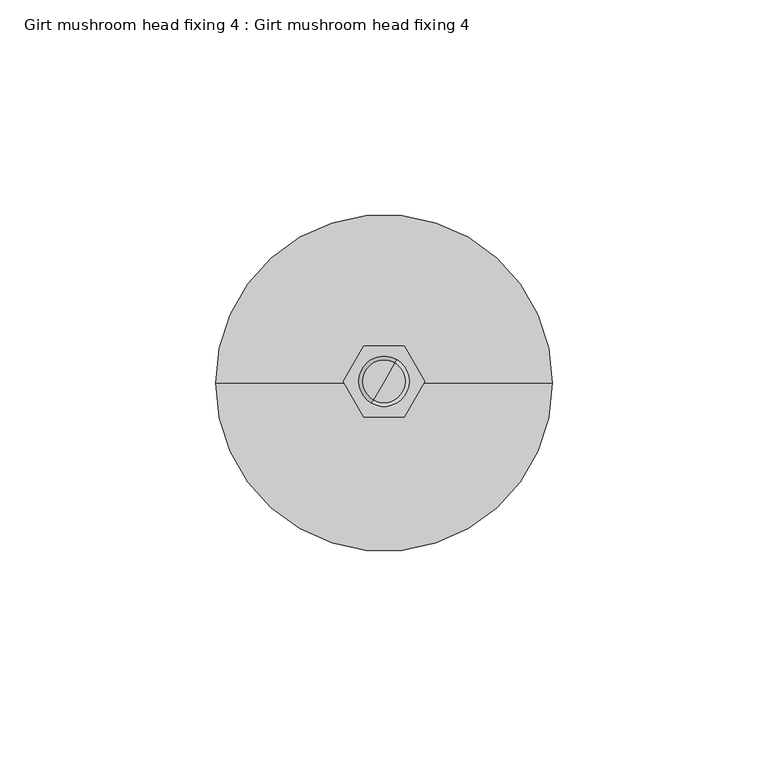
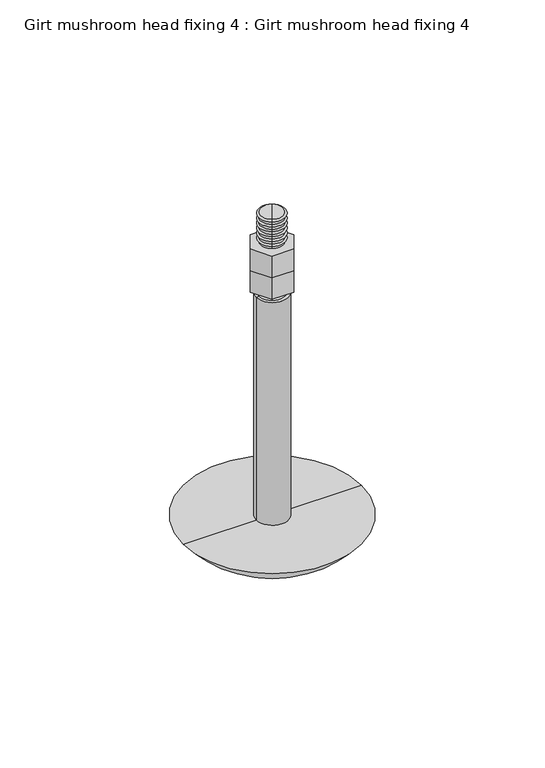
"""IFC4 building model written with IfcOpenShell, lengths in millimetres: proxy geometry, Girt mushroom head fixing 4 : Girt mushroom head fixing 4."""

from ifc_helpers import new_model, si_unit, point, frame, origin, place, context, project, spatial, polyline, circle_curve, ellipse_curve, trimmed, outline, extrude, source, transform, mapped, element, save
from ifc_brep_helpers import plane_surface, cylinder_surface, revolved_surface, advanced_brep


def girt_mushroom_head_fixing_4_girt_mushroom_head_fixing_4_44ebc072(model_context):
    return source(origin(), model_context, "Body", "SolidModel", [
        extrude(outline(polyline([(43.75, -8.8923048), (34.25, -8.8923048), (29.5, -0.6650635), (34.25, 7.5621778), (43.75, 7.5621778), (48.5, -0.6650635), (43.75, -8.8923048)])), frame((0.0, 0.0, 16.0), z_axis=(0.0, 0.0, 1.0), x_axis=(1.0, 0.0, 0.0)), (0.0, 0.0, 1.0), 10.0),
        extrude(outline(polyline([(43.75, -8.8923048), (34.25, -8.8923048), (29.5, -0.6650635), (34.25, 7.5621778), (43.75, 7.5621778), (48.5, -0.6650635), (43.75, -8.8923048)])), frame((0.0, 0.0, 6.0), z_axis=(0.0, 0.0, 1.0), x_axis=(1.0, 0.0, 0.0)), (0.0, 0.0, 1.0), 10.0),
        advanced_brep(
        [(41.9059458, 4.3681823, 39.2693613), (36.0940542, -5.6983094, 39.2693613), (36.5, -4.9951905, 39.791923), (41.5, 3.6650635, 39.791923), (41.5, 3.6650635, 38.8006155), (36.5, -4.9951905, 38.8006155), (41.5, 3.6650635, 37.5216556), (36.5, -4.9951905, 37.5216556), (41.9059458, 4.3681823, 36.9990939), (36.0940542, -5.6983094, 36.9990939), (41.5, 3.6650635, 36.5303481), (36.5, -4.9951905, 36.5303481), (41.5, 3.6650635, 35.2513882), (36.5, -4.9951905, 35.2513882), (41.9059458, 4.3681823, 34.7288265), (36.0940542, -5.6983094, 34.7288265), (41.5, 3.6650635, 34.2600807), (36.5, -4.9951905, 34.2600807), (41.5, 3.6650635, 32.9811208), (36.5, -4.9951905, 32.9811208), (41.9059458, 4.3681823, 32.4585591), (36.0940542, -5.6983094, 32.4585591), (41.5, 3.6650635, 31.9898132), (36.5, -4.9951905, 31.9898132), (41.5, 3.6650635, 30.7108534), (36.5, -4.9951905, 30.7108534), (41.9059458, 4.3681823, 30.1882917), (36.0940542, -5.6983094, 30.1882917), (41.5, 3.6650635, 29.7195458), (36.5, -4.9951905, 29.7195458), (41.5, 3.6650635, 28.440586), (36.5, -4.9951905, 28.440586), (41.9059458, 4.3681823, 27.9180243), (36.0940542, -5.6983094, 27.9180243), (41.5, 3.6650635, 27.4492784), (36.5, -4.9951905, 27.4492784), (41.5, 3.6650635, 26.1703186), (36.5, -4.9951905, 26.1703186), (41.9059458, 4.3681823, 25.6477569), (36.0940542, -5.6983094, 25.6477569), (41.5, 3.6650635, 25.179011), (36.5, -4.9951905, 25.179011), (41.5, 3.6650635, 23.9000512), (36.5, -4.9951905, 23.9000512), (41.9059458, 4.3681823, 23.3774895), (36.0940542, -5.6983094, 23.3774895), (41.5, 3.6650635, 22.9087436), (36.5, -4.9951905, 22.9087436), (41.5, 3.6650635, 21.6297838), (36.5, -4.9951905, 21.6297838), (41.9059458, 4.3681823, 21.1072221), (36.0940542, -5.6983094, 21.1072221), (41.5, 3.6650635, 20.6384762), (36.5, -4.9951905, 20.6384762), (41.5, 3.6650635, 19.3595164), (36.5, -4.9951905, 19.3595164), (41.9059458, 4.3681823, 18.8369547), (36.0940542, -5.6983094, 18.8369547), (41.5, 3.6650635, 18.3682088), (36.5, -4.9951905, 18.3682088), (41.5, 3.6650635, 17.089249), (36.5, -4.9951905, 17.089249), (41.9059458, 4.3681823, 16.5666873), (36.0940542, -5.6983094, 16.5666873), (41.5, 3.6650635, 16.0979414), (36.5, -4.9951905, 16.0979414), (41.5, 3.6650635, 14.8189816), (36.5, -4.9951905, 14.8189816), (41.9059458, 4.3681823, 14.2964199), (36.0940542, -5.6983094, 14.2964199), (41.5, 3.6650635, 13.827674), (36.5, -4.9951905, 13.827674), (41.5, 3.6650635, 12.5487142), (36.5, -4.9951905, 12.5487142), (41.9059458, 4.3681823, 12.0261525), (36.0940542, -5.6983094, 12.0261525), (41.5, 3.6650635, 11.5574066), (36.5, -4.9951905, 11.5574066), (41.5, 3.6650635, 10.2784468), (36.5, -4.9951905, 10.2784468), (41.9059458, 4.3681823, 9.7558851), (36.0940542, -5.6983094, 9.7558851), (39.0, -0.6650635, 39.791923), (41.5, 3.6650635, 9.2871392), (36.5, -4.9951905, 9.2871392), (41.5, 3.6650635, 8.0081794), (36.5, -4.9951905, 8.0081794), (41.9059458, 4.3681823, 7.4856177), (36.0940542, -5.6983094, 7.4856177), (41.5, 3.6650635, 7.0168718), (36.5, -4.9951905, 7.0168718), (41.5, 3.6650635, 5.737912), (36.5, -4.9951905, 5.737912), (41.9059458, 4.3681823, 5.2153503), (36.0940542, -5.6983094, 5.2153503), (41.5, 3.6650635, 4.7466044), (36.5, -4.9951905, 4.7466044), (41.5, 3.6650635, 3.4676446), (36.5, -4.9951905, 3.4676446), (41.9059458, 4.3681823, 2.9450829), (36.0940542, -5.6983094, 2.9450829), (41.5, 3.6650635, 2.476337), (36.5, -4.9951905, 2.476337), (41.5, 3.6650635, 1.1973772), (36.5, -4.9951905, 1.1973772), (41.9059458, 4.3681823, 0.6748155), (36.0940542, -5.6983094, 0.6748155), (41.5, 3.6650635, 0.2060696), (36.5, -4.9951905, 0.2060696), (41.5, 3.6650635, -1.0728902), (36.5, -4.9951905, -1.0728902), (41.9059458, 4.3681823, -1.5954519), (36.0940542, -5.6983094, -1.5954519), (41.5, 3.6650635, -2.0641978), (36.5, -4.9951905, -2.0641978), (41.5, 3.6650635, -3.3431576), (36.5, -4.9951905, -3.3431576), (41.9059458, 4.3681823, -3.8657193), (36.0940542, -5.6983094, -3.8657193), (41.5, 3.6650635, -4.3344652), (36.5, -4.9951905, -4.3344652), (41.5, 3.6650635, -5.613425), (36.5, -4.9951905, -5.613425), (41.9059458, 4.3681823, -6.1359867), (36.0940542, -5.6983094, -6.1359867), (41.5, 3.6650635, -6.6047326), (36.5, -4.9951905, -6.6047326), (41.5, 3.6650635, -7.8836924), (36.5, -4.9951905, -7.8836924), (41.9059458, 4.3681823, -8.4062541), (36.0940542, -5.6983094, -8.4062541), (41.5, 3.6650635, -8.875), (36.5, -4.9951905, -8.875), (39.0, -0.6650635, -8.875)],
        [
            (0, 1, circle_curve(frame((39.0, -0.6650635, 39.2693613), z_axis=(0.0, 0.0, 1.0), x_axis=(-0.5000000000000034, -0.8660254037844367, 0.0)), 5.8118917)),
            (1, 2),
            (2, 3, circle_curve(frame((39.0, -0.6650635, 39.791923), z_axis=(0.0, 0.0, -1.0), x_axis=(-0.5000000000000034, -0.8660254037844367, 0.0)), 5.0)),
            (3, 0),
            (1, 0, circle_curve(frame((39.0, -0.6650635, 39.2693613), z_axis=(0.0, 0.0, 1.0), x_axis=(-0.5000000000000034, -0.8660254037844367, 0.0)), 5.8118917)),
            (3, 2, circle_curve(frame((39.0, -0.6650635, 39.791923), z_axis=(0.0, 0.0, -1.0), x_axis=(-0.5000000000000034, -0.8660254037844367, 0.0)), 5.0)),
            (4, 5, circle_curve(frame((39.0, -0.6650635, 38.8006155), z_axis=(0.0, 0.0, 1.0), x_axis=(-0.5000000000000034, -0.8660254037844367, 0.0)), 5.0)),
            (5, 1),
            (0, 4),
            (5, 4, circle_curve(frame((39.0, -0.6650635, 38.8006155), z_axis=(0.0, 0.0, 1.0), x_axis=(-0.5000000000000034, -0.8660254037844367, 0.0)), 5.0)),
            (6, 7, circle_curve(frame((39.0, -0.6650635, 37.5216556), z_axis=(0.0, 0.0, 1.0), x_axis=(-0.5000000000000034, -0.8660254037844367, 0.0)), 5.0)),
            (7, 5),
            (4, 6),
            (7, 6, circle_curve(frame((39.0, -0.6650635, 37.5216556), z_axis=(0.0, 0.0, 1.0), x_axis=(-0.5000000000000034, -0.8660254037844367, 0.0)), 5.0)),
            (8, 9, circle_curve(frame((39.0, -0.6650635, 36.9990939), z_axis=(0.0, 0.0, 1.0), x_axis=(-0.5000000000000034, -0.8660254037844367, 0.0)), 5.8118917)),
            (9, 7),
            (6, 8),
            (9, 8, circle_curve(frame((39.0, -0.6650635, 36.9990939), z_axis=(0.0, 0.0, 1.0), x_axis=(-0.5000000000000034, -0.8660254037844367, 0.0)), 5.8118917)),
            (10, 11, circle_curve(frame((39.0, -0.6650635, 36.5303481), z_axis=(0.0, 0.0, 1.0), x_axis=(-0.5000000000000034, -0.8660254037844367, 0.0)), 5.0)),
            (11, 9),
            (8, 10),
            (11, 10, circle_curve(frame((39.0, -0.6650635, 36.5303481), z_axis=(0.0, 0.0, 1.0), x_axis=(-0.5000000000000034, -0.8660254037844367, 0.0)), 5.0)),
            (12, 13, circle_curve(frame((39.0, -0.6650635, 35.2513882), z_axis=(0.0, 0.0, 1.0), x_axis=(-0.5000000000000034, -0.8660254037844367, 0.0)), 5.0)),
            (13, 11),
            (10, 12),
            (13, 12, circle_curve(frame((39.0, -0.6650635, 35.2513882), z_axis=(0.0, 0.0, 1.0), x_axis=(-0.5000000000000034, -0.8660254037844367, 0.0)), 5.0)),
            (14, 15, circle_curve(frame((39.0, -0.6650635, 34.7288265), z_axis=(0.0, 0.0, 1.0), x_axis=(-0.5000000000000034, -0.8660254037844367, 0.0)), 5.8118917)),
            (15, 13),
            (12, 14),
            (15, 14, circle_curve(frame((39.0, -0.6650635, 34.7288265), z_axis=(0.0, 0.0, 1.0), x_axis=(-0.5000000000000034, -0.8660254037844367, 0.0)), 5.8118917)),
            (16, 17, circle_curve(frame((39.0, -0.6650635, 34.2600807), z_axis=(0.0, 0.0, 1.0), x_axis=(-0.5000000000000034, -0.8660254037844367, 0.0)), 5.0)),
            (17, 15),
            (14, 16),
            (17, 16, circle_curve(frame((39.0, -0.6650635, 34.2600807), z_axis=(0.0, 0.0, 1.0), x_axis=(-0.5000000000000034, -0.8660254037844367, 0.0)), 5.0)),
            (18, 19, circle_curve(frame((39.0, -0.6650635, 32.9811208), z_axis=(0.0, 0.0, 1.0), x_axis=(-0.5000000000000034, -0.8660254037844367, 0.0)), 5.0)),
            (19, 17),
            (16, 18),
            (19, 18, circle_curve(frame((39.0, -0.6650635, 32.9811208), z_axis=(0.0, 0.0, 1.0), x_axis=(-0.5000000000000034, -0.8660254037844367, 0.0)), 5.0)),
            (20, 21, circle_curve(frame((39.0, -0.6650635, 32.4585591), z_axis=(0.0, 0.0, 1.0), x_axis=(-0.5000000000000034, -0.8660254037844367, 0.0)), 5.8118917)),
            (21, 19),
            (18, 20),
            (21, 20, circle_curve(frame((39.0, -0.6650635, 32.4585591), z_axis=(0.0, 0.0, 1.0), x_axis=(-0.5000000000000034, -0.8660254037844367, 0.0)), 5.8118917)),
            (22, 23, circle_curve(frame((39.0, -0.6650635, 31.9898132), z_axis=(0.0, 0.0, 1.0), x_axis=(-0.5000000000000034, -0.8660254037844367, 0.0)), 5.0)),
            (23, 21),
            (20, 22),
            (23, 22, circle_curve(frame((39.0, -0.6650635, 31.9898132), z_axis=(0.0, 0.0, 1.0), x_axis=(-0.5000000000000034, -0.8660254037844367, 0.0)), 5.0)),
            (24, 25, circle_curve(frame((39.0, -0.6650635, 30.7108534), z_axis=(0.0, 0.0, 1.0), x_axis=(-0.5000000000000034, -0.8660254037844367, 0.0)), 5.0)),
            (25, 23),
            (22, 24),
            (25, 24, circle_curve(frame((39.0, -0.6650635, 30.7108534), z_axis=(0.0, 0.0, 1.0), x_axis=(-0.5000000000000034, -0.8660254037844367, 0.0)), 5.0)),
            (26, 27, circle_curve(frame((39.0, -0.6650635, 30.1882917), z_axis=(0.0, 0.0, 1.0), x_axis=(-0.5000000000000034, -0.8660254037844367, 0.0)), 5.8118917)),
            (27, 25),
            (24, 26),
            (27, 26, circle_curve(frame((39.0, -0.6650635, 30.1882917), z_axis=(0.0, 0.0, 1.0), x_axis=(-0.5000000000000034, -0.8660254037844367, 0.0)), 5.8118917)),
            (28, 29, circle_curve(frame((39.0, -0.6650635, 29.7195458), z_axis=(0.0, 0.0, 1.0), x_axis=(-0.5000000000000034, -0.8660254037844367, 0.0)), 5.0)),
            (29, 27),
            (26, 28),
            (29, 28, circle_curve(frame((39.0, -0.6650635, 29.7195458), z_axis=(0.0, 0.0, 1.0), x_axis=(-0.5000000000000034, -0.8660254037844367, 0.0)), 5.0)),
            (30, 31, circle_curve(frame((39.0, -0.6650635, 28.440586), z_axis=(0.0, 0.0, 1.0), x_axis=(-0.5000000000000034, -0.8660254037844367, 0.0)), 5.0)),
            (31, 29),
            (28, 30),
            (31, 30, circle_curve(frame((39.0, -0.6650635, 28.440586), z_axis=(0.0, 0.0, 1.0), x_axis=(-0.5000000000000034, -0.8660254037844367, 0.0)), 5.0)),
            (32, 33, circle_curve(frame((39.0, -0.6650635, 27.9180243), z_axis=(0.0, 0.0, 1.0), x_axis=(-0.5000000000000034, -0.8660254037844367, 0.0)), 5.8118917)),
            (33, 31),
            (30, 32),
            (33, 32, circle_curve(frame((39.0, -0.6650635, 27.9180243), z_axis=(0.0, 0.0, 1.0), x_axis=(-0.5000000000000034, -0.8660254037844367, 0.0)), 5.8118917)),
            (34, 35, circle_curve(frame((39.0, -0.6650635, 27.4492784), z_axis=(0.0, 0.0, 1.0), x_axis=(-0.5000000000000034, -0.8660254037844367, 0.0)), 5.0)),
            (35, 33),
            (32, 34),
            (35, 34, circle_curve(frame((39.0, -0.6650635, 27.4492784), z_axis=(0.0, 0.0, 1.0), x_axis=(-0.5000000000000034, -0.8660254037844367, 0.0)), 5.0)),
            (36, 37, circle_curve(frame((39.0, -0.6650635, 26.1703186), z_axis=(0.0, 0.0, 1.0), x_axis=(-0.5000000000000034, -0.8660254037844367, 0.0)), 5.0)),
            (37, 35),
            (34, 36),
            (37, 36, circle_curve(frame((39.0, -0.6650635, 26.1703186), z_axis=(0.0, 0.0, 1.0), x_axis=(-0.5000000000000034, -0.8660254037844367, 0.0)), 5.0)),
            (38, 39, circle_curve(frame((39.0, -0.6650635, 25.6477569), z_axis=(0.0, 0.0, 1.0), x_axis=(-0.5000000000000034, -0.8660254037844367, 0.0)), 5.8118917)),
            (39, 37),
            (36, 38),
            (39, 38, circle_curve(frame((39.0, -0.6650635, 25.6477569), z_axis=(0.0, 0.0, 1.0), x_axis=(-0.5000000000000034, -0.8660254037844367, 0.0)), 5.8118917)),
            (40, 41, circle_curve(frame((39.0, -0.6650635, 25.179011), z_axis=(0.0, 0.0, 1.0), x_axis=(-0.5000000000000034, -0.8660254037844367, 0.0)), 5.0)),
            (41, 39),
            (38, 40),
            (41, 40, circle_curve(frame((39.0, -0.6650635, 25.179011), z_axis=(0.0, 0.0, 1.0), x_axis=(-0.5000000000000034, -0.8660254037844367, 0.0)), 5.0)),
            (42, 43, circle_curve(frame((39.0, -0.6650635, 23.9000512), z_axis=(0.0, 0.0, 1.0), x_axis=(-0.5000000000000034, -0.8660254037844367, 0.0)), 5.0)),
            (43, 41),
            (40, 42),
            (43, 42, circle_curve(frame((39.0, -0.6650635, 23.9000512), z_axis=(0.0, 0.0, 1.0), x_axis=(-0.5000000000000034, -0.8660254037844367, 0.0)), 5.0)),
            (44, 45, circle_curve(frame((39.0, -0.6650635, 23.3774895), z_axis=(0.0, 0.0, 1.0), x_axis=(-0.5000000000000034, -0.8660254037844367, 0.0)), 5.8118917)),
            (45, 43),
            (42, 44),
            (45, 44, circle_curve(frame((39.0, -0.6650635, 23.3774895), z_axis=(0.0, 0.0, 1.0), x_axis=(-0.5000000000000034, -0.8660254037844367, 0.0)), 5.8118917)),
            (46, 47, circle_curve(frame((39.0, -0.6650635, 22.9087436), z_axis=(0.0, 0.0, 1.0), x_axis=(-0.5000000000000034, -0.8660254037844367, 0.0)), 5.0)),
            (47, 45),
            (44, 46),
            (47, 46, circle_curve(frame((39.0, -0.6650635, 22.9087436), z_axis=(0.0, 0.0, 1.0), x_axis=(-0.5000000000000034, -0.8660254037844367, 0.0)), 5.0)),
            (48, 49, circle_curve(frame((39.0, -0.6650635, 21.6297838), z_axis=(0.0, 0.0, 1.0), x_axis=(-0.5000000000000034, -0.8660254037844367, 0.0)), 5.0)),
            (49, 47),
            (46, 48),
            (49, 48, circle_curve(frame((39.0, -0.6650635, 21.6297838), z_axis=(0.0, 0.0, 1.0), x_axis=(-0.5000000000000034, -0.8660254037844367, 0.0)), 5.0)),
            (50, 51, circle_curve(frame((39.0, -0.6650635, 21.1072221), z_axis=(0.0, 0.0, 1.0), x_axis=(-0.5000000000000034, -0.8660254037844367, 0.0)), 5.8118917)),
            (51, 49),
            (48, 50),
            (51, 50, circle_curve(frame((39.0, -0.6650635, 21.1072221), z_axis=(0.0, 0.0, 1.0), x_axis=(-0.5000000000000034, -0.8660254037844367, 0.0)), 5.8118917)),
            (52, 53, circle_curve(frame((39.0, -0.6650635, 20.6384762), z_axis=(0.0, 0.0, 1.0), x_axis=(-0.5000000000000034, -0.8660254037844367, 0.0)), 5.0)),
            (53, 51),
            (50, 52),
            (53, 52, circle_curve(frame((39.0, -0.6650635, 20.6384762), z_axis=(0.0, 0.0, 1.0), x_axis=(-0.5000000000000034, -0.8660254037844367, 0.0)), 5.0)),
            (54, 55, circle_curve(frame((39.0, -0.6650635, 19.3595164), z_axis=(0.0, 0.0, 1.0), x_axis=(-0.5000000000000034, -0.8660254037844367, 0.0)), 5.0)),
            (55, 53),
            (52, 54),
            (55, 54, circle_curve(frame((39.0, -0.6650635, 19.3595164), z_axis=(0.0, 0.0, 1.0), x_axis=(-0.5000000000000034, -0.8660254037844367, 0.0)), 5.0)),
            (56, 57, circle_curve(frame((39.0, -0.6650635, 18.8369547), z_axis=(0.0, 0.0, 1.0), x_axis=(-0.5000000000000034, -0.8660254037844367, 0.0)), 5.8118917)),
            (57, 55),
            (54, 56),
            (57, 56, circle_curve(frame((39.0, -0.6650635, 18.8369547), z_axis=(0.0, 0.0, 1.0), x_axis=(-0.5000000000000034, -0.8660254037844367, 0.0)), 5.8118917)),
            (58, 59, circle_curve(frame((39.0, -0.6650635, 18.3682088), z_axis=(0.0, 0.0, 1.0), x_axis=(-0.5000000000000034, -0.8660254037844367, 0.0)), 5.0)),
            (59, 57),
            (56, 58),
            (59, 58, circle_curve(frame((39.0, -0.6650635, 18.3682088), z_axis=(0.0, 0.0, 1.0), x_axis=(-0.5000000000000034, -0.8660254037844367, 0.0)), 5.0)),
            (60, 61, circle_curve(frame((39.0, -0.6650635, 17.089249), z_axis=(0.0, 0.0, 1.0), x_axis=(-0.5000000000000034, -0.8660254037844367, 0.0)), 5.0)),
            (61, 59),
            (58, 60),
            (61, 60, circle_curve(frame((39.0, -0.6650635, 17.089249), z_axis=(0.0, 0.0, 1.0), x_axis=(-0.5000000000000034, -0.8660254037844367, 0.0)), 5.0)),
            (62, 63, circle_curve(frame((39.0, -0.6650635, 16.5666873), z_axis=(0.0, 0.0, 1.0), x_axis=(-0.5000000000000034, -0.8660254037844367, 0.0)), 5.8118917)),
            (63, 61),
            (60, 62),
            (63, 62, circle_curve(frame((39.0, -0.6650635, 16.5666873), z_axis=(0.0, 0.0, 1.0), x_axis=(-0.5000000000000034, -0.8660254037844367, 0.0)), 5.8118917)),
            (64, 65, circle_curve(frame((39.0, -0.6650635, 16.0979414), z_axis=(0.0, 0.0, 1.0), x_axis=(-0.5000000000000034, -0.8660254037844367, 0.0)), 5.0)),
            (65, 63),
            (62, 64),
            (65, 64, circle_curve(frame((39.0, -0.6650635, 16.0979414), z_axis=(0.0, 0.0, 1.0), x_axis=(-0.5000000000000034, -0.8660254037844367, 0.0)), 5.0)),
            (66, 67, circle_curve(frame((39.0, -0.6650635, 14.8189816), z_axis=(0.0, 0.0, 1.0), x_axis=(-0.5000000000000034, -0.8660254037844367, 0.0)), 5.0)),
            (67, 65),
            (64, 66),
            (67, 66, circle_curve(frame((39.0, -0.6650635, 14.8189816), z_axis=(0.0, 0.0, 1.0), x_axis=(-0.5000000000000034, -0.8660254037844367, 0.0)), 5.0)),
            (68, 69, circle_curve(frame((39.0, -0.6650635, 14.2964199), z_axis=(0.0, 0.0, 1.0), x_axis=(-0.5000000000000034, -0.8660254037844367, 0.0)), 5.8118917)),
            (69, 67),
            (66, 68),
            (69, 68, circle_curve(frame((39.0, -0.6650635, 14.2964199), z_axis=(0.0, 0.0, 1.0), x_axis=(-0.5000000000000034, -0.8660254037844367, 0.0)), 5.8118917)),
            (70, 71, circle_curve(frame((39.0, -0.6650635, 13.827674), z_axis=(0.0, 0.0, 1.0), x_axis=(-0.5000000000000034, -0.8660254037844367, 0.0)), 5.0)),
            (71, 69),
            (68, 70),
            (71, 70, circle_curve(frame((39.0, -0.6650635, 13.827674), z_axis=(0.0, 0.0, 1.0), x_axis=(-0.5000000000000034, -0.8660254037844367, 0.0)), 5.0)),
            (72, 73, circle_curve(frame((39.0, -0.6650635, 12.5487142), z_axis=(0.0, 0.0, 1.0), x_axis=(-0.5000000000000034, -0.8660254037844367, 0.0)), 5.0)),
            (73, 71),
            (70, 72),
            (73, 72, circle_curve(frame((39.0, -0.6650635, 12.5487142), z_axis=(0.0, 0.0, 1.0), x_axis=(-0.5000000000000034, -0.8660254037844367, 0.0)), 5.0)),
            (74, 75, circle_curve(frame((39.0, -0.6650635, 12.0261525), z_axis=(0.0, 0.0, 1.0), x_axis=(-0.5000000000000034, -0.8660254037844367, 0.0)), 5.8118917)),
            (75, 73),
            (72, 74),
            (75, 74, circle_curve(frame((39.0, -0.6650635, 12.0261525), z_axis=(0.0, 0.0, 1.0), x_axis=(-0.5000000000000034, -0.8660254037844367, 0.0)), 5.8118917)),
            (76, 77, circle_curve(frame((39.0, -0.6650635, 11.5574066), z_axis=(0.0, 0.0, 1.0), x_axis=(-0.5000000000000034, -0.8660254037844367, 0.0)), 5.0)),
            (77, 75),
            (74, 76),
            (77, 76, circle_curve(frame((39.0, -0.6650635, 11.5574066), z_axis=(0.0, 0.0, 1.0), x_axis=(-0.5000000000000034, -0.8660254037844367, 0.0)), 5.0)),
            (78, 79, circle_curve(frame((39.0, -0.6650635, 10.2784468), z_axis=(0.0, 0.0, 1.0), x_axis=(-0.5000000000000034, -0.8660254037844367, 0.0)), 5.0)),
            (79, 77),
            (76, 78),
            (79, 78, circle_curve(frame((39.0, -0.6650635, 10.2784468), z_axis=(0.0, 0.0, 1.0), x_axis=(-0.5000000000000034, -0.8660254037844367, 0.0)), 5.0)),
            (80, 81, circle_curve(frame((39.0, -0.6650635, 9.7558851), z_axis=(0.0, 0.0, 1.0), x_axis=(-0.5000000000000034, -0.8660254037844367, 0.0)), 5.8118917)),
            (81, 79),
            (78, 80),
            (81, 80, circle_curve(frame((39.0, -0.6650635, 9.7558851), z_axis=(0.0, 0.0, 1.0), x_axis=(-0.5000000000000034, -0.8660254037844367, 0.0)), 5.8118917)),
            (2, 82),
            (82, 3),
            (83, 84, circle_curve(frame((39.0, -0.6650635, 9.2871392), z_axis=(0.0, 0.0, 1.0), x_axis=(-0.5000000000000034, -0.8660254037844367, 0.0)), 5.0)),
            (84, 81),
            (80, 83),
            (84, 83, circle_curve(frame((39.0, -0.6650635, 9.2871392), z_axis=(0.0, 0.0, 1.0), x_axis=(-0.5000000000000034, -0.8660254037844367, 0.0)), 5.0)),
            (85, 86, circle_curve(frame((39.0, -0.6650635, 8.0081794), z_axis=(0.0, 0.0, 1.0), x_axis=(-0.5000000000000034, -0.8660254037844367, 0.0)), 5.0)),
            (86, 84),
            (83, 85),
            (86, 85, circle_curve(frame((39.0, -0.6650635, 8.0081794), z_axis=(0.0, 0.0, 1.0), x_axis=(-0.5000000000000034, -0.8660254037844367, 0.0)), 5.0)),
            (87, 88, circle_curve(frame((39.0, -0.6650635, 7.4856177), z_axis=(0.0, 0.0, 1.0), x_axis=(-0.5000000000000034, -0.8660254037844367, 0.0)), 5.8118917)),
            (88, 86),
            (85, 87),
            (88, 87, circle_curve(frame((39.0, -0.6650635, 7.4856177), z_axis=(0.0, 0.0, 1.0), x_axis=(-0.5000000000000034, -0.8660254037844367, 0.0)), 5.8118917)),
            (89, 90, circle_curve(frame((39.0, -0.6650635, 7.0168718), z_axis=(0.0, 0.0, 1.0), x_axis=(-0.5000000000000034, -0.8660254037844367, 0.0)), 5.0)),
            (90, 88),
            (87, 89),
            (90, 89, circle_curve(frame((39.0, -0.6650635, 7.0168718), z_axis=(0.0, 0.0, 1.0), x_axis=(-0.5000000000000034, -0.8660254037844367, 0.0)), 5.0)),
            (91, 92, circle_curve(frame((39.0, -0.6650635, 5.737912), z_axis=(0.0, 0.0, 1.0), x_axis=(-0.5000000000000034, -0.8660254037844367, 0.0)), 5.0)),
            (92, 90),
            (89, 91),
            (92, 91, circle_curve(frame((39.0, -0.6650635, 5.737912), z_axis=(0.0, 0.0, 1.0), x_axis=(-0.5000000000000034, -0.8660254037844367, 0.0)), 5.0)),
            (93, 94, circle_curve(frame((39.0, -0.6650635, 5.2153503), z_axis=(0.0, 0.0, 1.0), x_axis=(-0.5000000000000034, -0.8660254037844367, 0.0)), 5.8118917)),
            (94, 92),
            (91, 93),
            (94, 93, circle_curve(frame((39.0, -0.6650635, 5.2153503), z_axis=(0.0, 0.0, 1.0), x_axis=(-0.5000000000000034, -0.8660254037844367, 0.0)), 5.8118917)),
            (95, 96, circle_curve(frame((39.0, -0.6650635, 4.7466044), z_axis=(0.0, 0.0, 1.0), x_axis=(-0.5000000000000034, -0.8660254037844367, 0.0)), 5.0)),
            (96, 94),
            (93, 95),
            (96, 95, circle_curve(frame((39.0, -0.6650635, 4.7466044), z_axis=(0.0, 0.0, 1.0), x_axis=(-0.5000000000000034, -0.8660254037844367, 0.0)), 5.0)),
            (97, 98, circle_curve(frame((39.0, -0.6650635, 3.4676446), z_axis=(0.0, 0.0, 1.0), x_axis=(-0.5000000000000034, -0.8660254037844367, 0.0)), 5.0)),
            (98, 96),
            (95, 97),
            (98, 97, circle_curve(frame((39.0, -0.6650635, 3.4676446), z_axis=(0.0, 0.0, 1.0), x_axis=(-0.5000000000000034, -0.8660254037844367, 0.0)), 5.0)),
            (99, 100, circle_curve(frame((39.0, -0.6650635, 2.9450829), z_axis=(0.0, 0.0, 1.0), x_axis=(-0.5000000000000034, -0.8660254037844367, 0.0)), 5.8118917)),
            (100, 98),
            (97, 99),
            (100, 99, circle_curve(frame((39.0, -0.6650635, 2.9450829), z_axis=(0.0, 0.0, 1.0), x_axis=(-0.5000000000000034, -0.8660254037844367, 0.0)), 5.8118917)),
            (101, 102, circle_curve(frame((39.0, -0.6650635, 2.476337), z_axis=(0.0, 0.0, 1.0), x_axis=(-0.5000000000000034, -0.8660254037844367, 0.0)), 5.0)),
            (102, 100),
            (99, 101),
            (102, 101, circle_curve(frame((39.0, -0.6650635, 2.476337), z_axis=(0.0, 0.0, 1.0), x_axis=(-0.5000000000000034, -0.8660254037844367, 0.0)), 5.0)),
            (103, 104, circle_curve(frame((39.0, -0.6650635, 1.1973772), z_axis=(0.0, 0.0, 1.0), x_axis=(-0.5000000000000034, -0.8660254037844367, 0.0)), 5.0)),
            (104, 102),
            (101, 103),
            (104, 103, circle_curve(frame((39.0, -0.6650635, 1.1973772), z_axis=(0.0, 0.0, 1.0), x_axis=(-0.5000000000000034, -0.8660254037844367, 0.0)), 5.0)),
            (105, 106, circle_curve(frame((39.0, -0.6650635, 0.6748155), z_axis=(0.0, 0.0, 1.0), x_axis=(-0.5000000000000034, -0.8660254037844367, 0.0)), 5.8118917)),
            (106, 104),
            (103, 105),
            (106, 105, circle_curve(frame((39.0, -0.6650635, 0.6748155), z_axis=(0.0, 0.0, 1.0), x_axis=(-0.5000000000000034, -0.8660254037844367, 0.0)), 5.8118917)),
            (107, 108, circle_curve(frame((39.0, -0.6650635, 0.2060696), z_axis=(0.0, 0.0, 1.0), x_axis=(-0.5000000000000034, -0.8660254037844367, 0.0)), 5.0)),
            (108, 106),
            (105, 107),
            (108, 107, circle_curve(frame((39.0, -0.6650635, 0.2060696), z_axis=(0.0, 0.0, 1.0), x_axis=(-0.5000000000000034, -0.8660254037844367, 0.0)), 5.0)),
            (109, 110, circle_curve(frame((39.0, -0.6650635, -1.0728902), z_axis=(0.0, 0.0, 1.0), x_axis=(-0.5000000000000034, -0.8660254037844367, 0.0)), 5.0)),
            (110, 108),
            (107, 109),
            (110, 109, circle_curve(frame((39.0, -0.6650635, -1.0728902), z_axis=(0.0, 0.0, 1.0), x_axis=(-0.5000000000000034, -0.8660254037844367, 0.0)), 5.0)),
            (111, 112, circle_curve(frame((39.0, -0.6650635, -1.5954519), z_axis=(0.0, 0.0, 1.0), x_axis=(-0.5000000000000034, -0.8660254037844367, 0.0)), 5.8118917)),
            (112, 110),
            (109, 111),
            (112, 111, circle_curve(frame((39.0, -0.6650635, -1.5954519), z_axis=(0.0, 0.0, 1.0), x_axis=(-0.5000000000000034, -0.8660254037844367, 0.0)), 5.8118917)),
            (113, 114, circle_curve(frame((39.0, -0.6650635, -2.0641978), z_axis=(0.0, 0.0, 1.0), x_axis=(-0.5000000000000034, -0.8660254037844367, 0.0)), 5.0)),
            (114, 112),
            (111, 113),
            (114, 113, circle_curve(frame((39.0, -0.6650635, -2.0641978), z_axis=(0.0, 0.0, 1.0), x_axis=(-0.5000000000000034, -0.8660254037844367, 0.0)), 5.0)),
            (115, 116, circle_curve(frame((39.0, -0.6650635, -3.3431576), z_axis=(0.0, 0.0, 1.0), x_axis=(-0.5000000000000034, -0.8660254037844367, 0.0)), 5.0)),
            (116, 114),
            (113, 115),
            (116, 115, circle_curve(frame((39.0, -0.6650635, -3.3431576), z_axis=(0.0, 0.0, 1.0), x_axis=(-0.5000000000000034, -0.8660254037844367, 0.0)), 5.0)),
            (117, 118, circle_curve(frame((39.0, -0.6650635, -3.8657193), z_axis=(0.0, 0.0, 1.0), x_axis=(-0.5000000000000034, -0.8660254037844367, 0.0)), 5.8118917)),
            (118, 116),
            (115, 117),
            (118, 117, circle_curve(frame((39.0, -0.6650635, -3.8657193), z_axis=(0.0, 0.0, 1.0), x_axis=(-0.5000000000000034, -0.8660254037844367, 0.0)), 5.8118917)),
            (119, 120, circle_curve(frame((39.0, -0.6650635, -4.3344652), z_axis=(0.0, 0.0, 1.0), x_axis=(-0.5000000000000034, -0.8660254037844367, 0.0)), 5.0)),
            (120, 118),
            (117, 119),
            (120, 119, circle_curve(frame((39.0, -0.6650635, -4.3344652), z_axis=(0.0, 0.0, 1.0), x_axis=(-0.5000000000000034, -0.8660254037844367, 0.0)), 5.0)),
            (121, 122, circle_curve(frame((39.0, -0.6650635, -5.613425), z_axis=(0.0, 0.0, 1.0), x_axis=(-0.5000000000000034, -0.8660254037844367, 0.0)), 5.0)),
            (122, 120),
            (119, 121),
            (122, 121, circle_curve(frame((39.0, -0.6650635, -5.613425), z_axis=(0.0, 0.0, 1.0), x_axis=(-0.5000000000000034, -0.8660254037844367, 0.0)), 5.0)),
            (123, 124, circle_curve(frame((39.0, -0.6650635, -6.1359867), z_axis=(0.0, 0.0, 1.0), x_axis=(-0.5000000000000034, -0.8660254037844367, 0.0)), 5.8118917)),
            (124, 122),
            (121, 123),
            (124, 123, circle_curve(frame((39.0, -0.6650635, -6.1359867), z_axis=(0.0, 0.0, 1.0), x_axis=(-0.5000000000000034, -0.8660254037844367, 0.0)), 5.8118917)),
            (125, 126, circle_curve(frame((39.0, -0.6650635, -6.6047326), z_axis=(0.0, 0.0, 1.0), x_axis=(-0.5000000000000034, -0.8660254037844367, 0.0)), 5.0)),
            (126, 124),
            (123, 125),
            (126, 125, circle_curve(frame((39.0, -0.6650635, -6.6047326), z_axis=(0.0, 0.0, 1.0), x_axis=(-0.5000000000000034, -0.8660254037844367, 0.0)), 5.0)),
            (127, 128, circle_curve(frame((39.0, -0.6650635, -7.8836924), z_axis=(0.0, 0.0, 1.0), x_axis=(-0.5000000000000034, -0.8660254037844367, 0.0)), 5.0)),
            (128, 126),
            (125, 127),
            (128, 127, circle_curve(frame((39.0, -0.6650635, -7.8836924), z_axis=(0.0, 0.0, 1.0), x_axis=(-0.5000000000000034, -0.8660254037844367, 0.0)), 5.0)),
            (129, 130, circle_curve(frame((39.0, -0.6650635, -8.4062541), z_axis=(0.0, 0.0, 1.0), x_axis=(-0.5000000000000034, -0.8660254037844367, 0.0)), 5.8118917)),
            (130, 128),
            (127, 129),
            (130, 129, circle_curve(frame((39.0, -0.6650635, -8.4062541), z_axis=(0.0, 0.0, 1.0), x_axis=(-0.5000000000000034, -0.8660254037844367, 0.0)), 5.8118917)),
            (131, 132, circle_curve(frame((39.0, -0.6650635, -8.875), z_axis=(0.0, 0.0, 1.0), x_axis=(-0.5000000000000034, -0.8660254037844367, 0.0)), 5.0)),
            (132, 130),
            (129, 131),
            (132, 131, circle_curve(frame((39.0, -0.6650635, -8.875), z_axis=(0.0, 0.0, 1.0), x_axis=(-0.5000000000000034, -0.8660254037844367, 0.0)), 5.0)),
            (133, 132),
            (131, 133),
        ],
        [
            revolved_surface(polyline([(36.5, -4.9951905, 39.791923), (36.0940542, -5.6983094, 39.2693613)]), (39.0, -0.6650635, -31.4023349), (0.0, 0.0, -1.0)),
            revolved_surface(polyline([(36.0940542, -5.6983094, 39.2693613), (36.5, -4.9951905, 38.8006155)]), (39.0, -0.6650635, -31.4023349), (0.0, 0.0, -1.0)),
            cylinder_surface(frame((39.0, -0.6650635, -31.4023349), z_axis=(0.0, 0.0, -1.0), x_axis=(-0.5000000000000034, -0.8660254037844367, 0.0)), 5.0),
            revolved_surface(polyline([(36.5, -4.9951905, 37.5216556), (36.0940542, -5.6983094, 36.9990939)]), (39.0, -0.6650635, -31.4023349), (0.0, 0.0, -1.0)),
            revolved_surface(polyline([(36.0940542, -5.6983094, 36.9990939), (36.5, -4.9951905, 36.5303481)]), (39.0, -0.6650635, -31.4023349), (0.0, 0.0, -1.0)),
            revolved_surface(polyline([(36.5, -4.9951905, 35.2513882), (36.0940542, -5.6983094, 34.7288265)]), (39.0, -0.6650635, -31.4023349), (0.0, 0.0, -1.0)),
            revolved_surface(polyline([(36.0940542, -5.6983094, 34.7288265), (36.5, -4.9951905, 34.2600807)]), (39.0, -0.6650635, -31.4023349), (0.0, 0.0, -1.0)),
            revolved_surface(polyline([(36.5, -4.9951905, 32.9811208), (36.0940542, -5.6983094, 32.4585591)]), (39.0, -0.6650635, -31.4023349), (0.0, 0.0, -1.0)),
            revolved_surface(polyline([(36.0940542, -5.6983094, 32.4585591), (36.5, -4.9951905, 31.9898132)]), (39.0, -0.6650635, -31.4023349), (0.0, 0.0, -1.0)),
            revolved_surface(polyline([(36.5, -4.9951905, 30.7108534), (36.0940542, -5.6983094, 30.1882917)]), (39.0, -0.6650635, -31.4023349), (0.0, 0.0, -1.0)),
            revolved_surface(polyline([(36.0940542, -5.6983094, 30.1882917), (36.5, -4.9951905, 29.7195458)]), (39.0, -0.6650635, -31.4023349), (0.0, 0.0, -1.0)),
            revolved_surface(polyline([(36.5, -4.9951905, 28.440586), (36.0940542, -5.6983094, 27.9180243)]), (39.0, -0.6650635, -31.4023349), (0.0, 0.0, -1.0)),
            revolved_surface(polyline([(36.0940542, -5.6983094, 27.9180243), (36.5, -4.9951905, 27.4492784)]), (39.0, -0.6650635, -31.4023349), (0.0, 0.0, -1.0)),
            revolved_surface(polyline([(36.5, -4.9951905, 26.1703186), (36.0940542, -5.6983094, 25.6477569)]), (39.0, -0.6650635, -31.4023349), (0.0, 0.0, -1.0)),
            revolved_surface(polyline([(36.0940542, -5.6983094, 25.6477569), (36.5, -4.9951905, 25.179011)]), (39.0, -0.6650635, -31.4023349), (0.0, 0.0, -1.0)),
            revolved_surface(polyline([(36.5, -4.9951905, 23.9000512), (36.0940542, -5.6983094, 23.3774895)]), (39.0, -0.6650635, -31.4023349), (0.0, 0.0, -1.0)),
            revolved_surface(polyline([(36.0940542, -5.6983094, 23.3774895), (36.5, -4.9951905, 22.9087436)]), (39.0, -0.6650635, -31.4023349), (0.0, 0.0, -1.0)),
            revolved_surface(polyline([(36.5, -4.9951905, 21.6297838), (36.0940542, -5.6983094, 21.1072221)]), (39.0, -0.6650635, -31.4023349), (0.0, 0.0, -1.0)),
            revolved_surface(polyline([(36.0940542, -5.6983094, 21.1072221), (36.5, -4.9951905, 20.6384762)]), (39.0, -0.6650635, -31.4023349), (0.0, 0.0, -1.0)),
            revolved_surface(polyline([(36.5, -4.9951905, 19.3595164), (36.0940542, -5.6983094, 18.8369547)]), (39.0, -0.6650635, -31.4023349), (0.0, 0.0, -1.0)),
            revolved_surface(polyline([(36.0940542, -5.6983094, 18.8369547), (36.5, -4.9951905, 18.3682088)]), (39.0, -0.6650635, -31.4023349), (0.0, 0.0, -1.0)),
            revolved_surface(polyline([(36.5, -4.9951905, 17.089249), (36.0940542, -5.6983094, 16.5666873)]), (39.0, -0.6650635, -31.4023349), (0.0, 0.0, -1.0)),
            revolved_surface(polyline([(36.0940542, -5.6983094, 16.5666873), (36.5, -4.9951905, 16.0979414)]), (39.0, -0.6650635, -31.4023349), (0.0, 0.0, -1.0)),
            revolved_surface(polyline([(36.5, -4.9951905, 14.8189816), (36.0940542, -5.6983094, 14.2964199)]), (39.0, -0.6650635, -31.4023349), (0.0, 0.0, -1.0)),
            revolved_surface(polyline([(36.0940542, -5.6983094, 14.2964199), (36.5, -4.9951905, 13.827674)]), (39.0, -0.6650635, -31.4023349), (0.0, 0.0, -1.0)),
            revolved_surface(polyline([(36.5, -4.9951905, 12.5487142), (36.0940542, -5.6983094, 12.0261525)]), (39.0, -0.6650635, -31.4023349), (0.0, 0.0, -1.0)),
            revolved_surface(polyline([(36.0940542, -5.6983094, 12.0261525), (36.5, -4.9951905, 11.5574066)]), (39.0, -0.6650635, -31.4023349), (0.0, 0.0, -1.0)),
            revolved_surface(polyline([(36.5, -4.9951905, 10.2784468), (36.0940542, -5.6983094, 9.7558851)]), (39.0, -0.6650635, -31.4023349), (0.0, 0.0, -1.0)),
            plane_surface(frame((39.0, -0.6650635, 39.791923), z_axis=(0.0, 0.0, 1.0), x_axis=(-0.5000000000000034, -0.8660254037844367, 0.0))),
            revolved_surface(polyline([(36.0940542, -5.6983094, 9.7558851), (36.5, -4.9951905, 9.2871392)]), (39.0, -0.6650635, -31.4023349), (0.0, 0.0, -1.0)),
            revolved_surface(polyline([(36.5, -4.9951905, 8.0081794), (36.0940542, -5.6983094, 7.4856177)]), (39.0, -0.6650635, -31.4023349), (0.0, 0.0, -1.0)),
            revolved_surface(polyline([(36.0940542, -5.6983094, 7.4856177), (36.5, -4.9951905, 7.0168718)]), (39.0, -0.6650635, -31.4023349), (0.0, 0.0, -1.0)),
            revolved_surface(polyline([(36.5, -4.9951905, 5.737912), (36.0940542, -5.6983094, 5.2153503)]), (39.0, -0.6650635, -31.4023349), (0.0, 0.0, -1.0)),
            revolved_surface(polyline([(36.0940542, -5.6983094, 5.2153503), (36.5, -4.9951905, 4.7466044)]), (39.0, -0.6650635, -31.4023349), (0.0, 0.0, -1.0)),
            revolved_surface(polyline([(36.5, -4.9951905, 3.4676446), (36.0940542, -5.6983094, 2.9450829)]), (39.0, -0.6650635, -31.4023349), (0.0, 0.0, -1.0)),
            revolved_surface(polyline([(36.0940542, -5.6983094, 2.9450829), (36.5, -4.9951905, 2.476337)]), (39.0, -0.6650635, -31.4023349), (0.0, 0.0, -1.0)),
            revolved_surface(polyline([(36.5, -4.9951905, 1.1973772), (36.0940542, -5.6983094, 0.6748155)]), (39.0, -0.6650635, -31.4023349), (0.0, 0.0, -1.0)),
            revolved_surface(polyline([(36.0940542, -5.6983094, 0.6748155), (36.5, -4.9951905, 0.2060696)]), (39.0, -0.6650635, -31.4023349), (0.0, 0.0, -1.0)),
            revolved_surface(polyline([(36.5, -4.9951905, -1.0728902), (36.0940542, -5.6983094, -1.5954519)]), (39.0, -0.6650635, -31.4023349), (0.0, 0.0, -1.0)),
            revolved_surface(polyline([(36.0940542, -5.6983094, -1.5954519), (36.5, -4.9951905, -2.0641978)]), (39.0, -0.6650635, -31.4023349), (0.0, 0.0, -1.0)),
            revolved_surface(polyline([(36.5, -4.9951905, -3.3431576), (36.0940542, -5.6983094, -3.8657193)]), (39.0, -0.6650635, -31.4023349), (0.0, 0.0, -1.0)),
            revolved_surface(polyline([(36.0940542, -5.6983094, -3.8657193), (36.5, -4.9951905, -4.3344652)]), (39.0, -0.6650635, -31.4023349), (0.0, 0.0, -1.0)),
            revolved_surface(polyline([(36.5, -4.9951905, -5.613425), (36.0940542, -5.6983094, -6.1359867)]), (39.0, -0.6650635, -31.4023349), (0.0, 0.0, -1.0)),
            revolved_surface(polyline([(36.0940542, -5.6983094, -6.1359867), (36.5, -4.9951905, -6.6047326)]), (39.0, -0.6650635, -31.4023349), (0.0, 0.0, -1.0)),
            revolved_surface(polyline([(36.5, -4.9951905, -7.8836924), (36.0940542, -5.6983094, -8.4062541)]), (39.0, -0.6650635, -31.4023349), (0.0, 0.0, -1.0)),
            revolved_surface(polyline([(36.0940542, -5.6983094, -8.4062541), (36.5, -4.9951905, -8.875)]), (39.0, -0.6650635, -31.4023349), (0.0, 0.0, -1.0)),
            plane_surface(frame((39.0, -0.6650635, -8.875), z_axis=(0.0, 0.0, -1.0), x_axis=(-0.5000000000000034, -0.8660254037844367, 0.0))),
        ],
        [
            (0, [[1, 2, 3, 4]]),
            (0, [[5, -4, 6, -2]]),
            (1, [[7, 8, -1, 9]]),
            (1, [[10, -9, -5, -8]]),
            (2, [[11, 12, -7, 13]]),
            (2, [[14, -13, -10, -12]]),
            (3, [[15, 16, -11, 17]]),
            (3, [[18, -17, -14, -16]]),
            (4, [[19, 20, -15, 21]]),
            (4, [[22, -21, -18, -20]]),
            (2, [[23, 24, -19, 25]]),
            (2, [[26, -25, -22, -24]]),
            (5, [[27, 28, -23, 29]]),
            (5, [[30, -29, -26, -28]]),
            (6, [[31, 32, -27, 33]]),
            (6, [[34, -33, -30, -32]]),
            (2, [[35, 36, -31, 37]]),
            (2, [[38, -37, -34, -36]]),
            (7, [[39, 40, -35, 41]]),
            (7, [[42, -41, -38, -40]]),
            (8, [[43, 44, -39, 45]]),
            (8, [[46, -45, -42, -44]]),
            (2, [[47, 48, -43, 49]]),
            (2, [[50, -49, -46, -48]]),
            (9, [[51, 52, -47, 53]]),
            (9, [[54, -53, -50, -52]]),
            (10, [[55, 56, -51, 57]]),
            (10, [[58, -57, -54, -56]]),
            (2, [[59, 60, -55, 61]]),
            (2, [[62, -61, -58, -60]]),
            (11, [[63, 64, -59, 65]]),
            (11, [[66, -65, -62, -64]]),
            (12, [[67, 68, -63, 69]]),
            (12, [[70, -69, -66, -68]]),
            (2, [[71, 72, -67, 73]]),
            (2, [[74, -73, -70, -72]]),
            (13, [[75, 76, -71, 77]]),
            (13, [[78, -77, -74, -76]]),
            (14, [[79, 80, -75, 81]]),
            (14, [[82, -81, -78, -80]]),
            (2, [[83, 84, -79, 85]]),
            (2, [[86, -85, -82, -84]]),
            (15, [[87, 88, -83, 89]]),
            (15, [[90, -89, -86, -88]]),
            (16, [[91, 92, -87, 93]]),
            (16, [[94, -93, -90, -92]]),
            (2, [[95, 96, -91, 97]]),
            (2, [[98, -97, -94, -96]]),
            (17, [[99, 100, -95, 101]]),
            (17, [[102, -101, -98, -100]]),
            (18, [[103, 104, -99, 105]]),
            (18, [[106, -105, -102, -104]]),
            (2, [[107, 108, -103, 109]]),
            (2, [[110, -109, -106, -108]]),
            (19, [[111, 112, -107, 113]]),
            (19, [[114, -113, -110, -112]]),
            (20, [[115, 116, -111, 117]]),
            (20, [[118, -117, -114, -116]]),
            (2, [[119, 120, -115, 121]]),
            (2, [[122, -121, -118, -120]]),
            (21, [[123, 124, -119, 125]]),
            (21, [[126, -125, -122, -124]]),
            (22, [[127, 128, -123, 129]]),
            (22, [[130, -129, -126, -128]]),
            (2, [[131, 132, -127, 133]]),
            (2, [[134, -133, -130, -132]]),
            (23, [[135, 136, -131, 137]]),
            (23, [[138, -137, -134, -136]]),
            (24, [[139, 140, -135, 141]]),
            (24, [[142, -141, -138, -140]]),
            (2, [[143, 144, -139, 145]]),
            (2, [[146, -145, -142, -144]]),
            (25, [[147, 148, -143, 149]]),
            (25, [[150, -149, -146, -148]]),
            (26, [[151, 152, -147, 153]]),
            (26, [[154, -153, -150, -152]]),
            (2, [[155, 156, -151, 157]]),
            (2, [[158, -157, -154, -156]]),
            (27, [[159, 160, -155, 161]]),
            (27, [[162, -161, -158, -160]]),
            (28, [[-3, 163, 164]]),
            (28, [[-6, -164, -163]]),
            (29, [[165, 166, -159, 167]]),
            (29, [[168, -167, -162, -166]]),
            (2, [[169, 170, -165, 171]]),
            (2, [[172, -171, -168, -170]]),
            (30, [[173, 174, -169, 175]]),
            (30, [[176, -175, -172, -174]]),
            (31, [[177, 178, -173, 179]]),
            (31, [[180, -179, -176, -178]]),
            (2, [[181, 182, -177, 183]]),
            (2, [[184, -183, -180, -182]]),
            (32, [[185, 186, -181, 187]]),
            (32, [[188, -187, -184, -186]]),
            (33, [[189, 190, -185, 191]]),
            (33, [[192, -191, -188, -190]]),
            (2, [[193, 194, -189, 195]]),
            (2, [[196, -195, -192, -194]]),
            (34, [[197, 198, -193, 199]]),
            (34, [[200, -199, -196, -198]]),
            (35, [[201, 202, -197, 203]]),
            (35, [[204, -203, -200, -202]]),
            (2, [[205, 206, -201, 207]]),
            (2, [[208, -207, -204, -206]]),
            (36, [[209, 210, -205, 211]]),
            (36, [[212, -211, -208, -210]]),
            (37, [[213, 214, -209, 215]]),
            (37, [[216, -215, -212, -214]]),
            (2, [[217, 218, -213, 219]]),
            (2, [[220, -219, -216, -218]]),
            (38, [[221, 222, -217, 223]]),
            (38, [[224, -223, -220, -222]]),
            (39, [[225, 226, -221, 227]]),
            (39, [[228, -227, -224, -226]]),
            (2, [[229, 230, -225, 231]]),
            (2, [[232, -231, -228, -230]]),
            (40, [[233, 234, -229, 235]]),
            (40, [[236, -235, -232, -234]]),
            (41, [[237, 238, -233, 239]]),
            (41, [[240, -239, -236, -238]]),
            (2, [[241, 242, -237, 243]]),
            (2, [[244, -243, -240, -242]]),
            (42, [[245, 246, -241, 247]]),
            (42, [[248, -247, -244, -246]]),
            (43, [[249, 250, -245, 251]]),
            (43, [[252, -251, -248, -250]]),
            (2, [[253, 254, -249, 255]]),
            (2, [[256, -255, -252, -254]]),
            (44, [[257, 258, -253, 259]]),
            (44, [[260, -259, -256, -258]]),
            (45, [[261, 262, -257, 263]]),
            (45, [[264, -263, -260, -262]]),
            (46, [[265, -261, 266]]),
            (46, [[-266, -264, -265]]),
        ],
    ),
        advanced_brep(
        [(39.003175, -1.0, 3.0), (46.0235745, -1.0, 3.0), (31.9827755, -1.0, 3.0), (31.9827755, -1.0, -100.0), (46.0235745, -1.0, -100.0), (39.003175, -1.0, -100.0)],
        [
            (0, 1),
            (1, 2, circle_curve(frame((39.003175, -1.0, 3.0), z_axis=(0.0, 0.0, 1.0), x_axis=(1.0, 0.0, 0.0)), 7.0203995)),
            (2, 0),
            (2, 1, circle_curve(frame((39.003175, -1.0, 3.0), z_axis=(0.0, 0.0, 1.0), x_axis=(1.0, 0.0, 0.0)), 7.0203995)),
            (3, 4, circle_curve(frame((39.003175, -1.0, -100.0), z_axis=(0.0, 0.0, -1.0), x_axis=(1.0, 0.0, 0.0)), 7.0203995)),
            (4, 5),
            (5, 3),
            (4, 3, circle_curve(frame((39.003175, -1.0, -100.0), z_axis=(0.0, 0.0, -1.0), x_axis=(1.0, 0.0, 0.0)), 7.0203995)),
            (1, 4),
            (3, 2),
        ],
        [
            plane_surface(frame((39.003175, -1.0, 3.0), z_axis=(0.0, 0.0, 1.0), x_axis=(1.0, 0.0, 0.0))),
            plane_surface(frame((39.003175, -1.0, -100.0), z_axis=(0.0, 0.0, -1.0), x_axis=(1.0, 0.0, 0.0))),
            cylinder_surface(frame((39.003175, -1.0, 3.0), z_axis=(0.0, 0.0, 1.0), x_axis=(1.0, 0.0, 0.0)), 7.0203995),
        ],
        [
            (0, [[1, 2, 3]]),
            (0, [[-3, 4, -1]]),
            (1, [[5, 6, 7]]),
            (1, [[8, -7, -6]]),
            (2, [[-2, 9, -5, 10]]),
            (2, [[-4, -10, -8, -9]]),
        ],
    ),
        advanced_brep(
        [(39.0, -1.0, -100.0), (78.0, -1.0, -100.0), (0.0, -1.0, -100.0), (39.0, -1.0, -119.0)],
        [
            (0, 1),
            (1, 2, circle_curve(frame((39.0, -1.0, -100.0), z_axis=(0.0, 0.0, 1.0), x_axis=(1.0, 0.0, 0.0)), 39.0)),
            (2, 0),
            (2, 1, circle_curve(frame((39.0, -1.0, -100.0), z_axis=(0.0, 0.0, 1.0), x_axis=(1.0, 0.0, 0.0)), 39.0)),
            (1, 3, circle_curve(frame((38.1712512, -1.0, -67.7725683), z_axis=(0.0, 1.0, 0.0), x_axis=(1.0, 0.0, 0.0)), 51.2341349)),
            (3, 2, circle_curve(frame((39.8287488, -1.0, -67.7725683), z_axis=(0.0, 1.0, 0.0), x_axis=(-1.0, 0.0, 1.2297477192308575e-12)), 51.2341349)),
        ],
        [
            plane_surface(frame((39.0, -1.0, -100.0), z_axis=(0.0, 0.0, 1.0), x_axis=(1.0, 0.0, 0.0))),
            revolved_surface(trimmed(ellipse_curve(frame((38.1712512, -1.0, -67.7725683), z_axis=(0.0, -1.0, 0.0), x_axis=(1.0, 0.0, 0.0)), 51.2341349, 51.2341349), [point((39.0, -1.0, -119.0))], [point((78.0, -1.0, -100.0))], True, "CARTESIAN"), (39.0, -1.0, -90.0), (0.0, 0.0, 1.0)),
        ],
        [
            (0, [[1, 2, 3]]),
            (0, [[-3, 4, -1]]),
            (1, [[-2, 5, 6]]),
            (1, [[-4, -6, -5]]),
        ],
    ),
        extrude(outline(polyline([(43.2485695, 4.0911188), (43.2485695, -5.4766953), (34.6942416, -5.4766953), (34.6942416, 4.0911188), (43.2485695, 4.0911188)])), frame((0.0, 0.0, 10.8639032), z_axis=(0.0, 0.0, 1.0), x_axis=(1.0, 0.0, 0.0)), (0.0, 0.0, 1.0), 0.9913076),
    ])


if __name__ == "__main__":
    model = new_model("IFC4")
    model_context = context("Model", 3, world=origin())
    ifc_project = project(units=[si_unit("LENGTHUNIT", "METRE", prefix="MILLI")], contexts=[model_context])
    site = spatial("IfcSite", under=ifc_project)
    building = spatial("IfcBuilding", under=site)
    placement = place(None, origin())
    girt_mushroom_head_fixing_4_girt_mushroom_head_fixing_4_shape = girt_mushroom_head_fixing_4_girt_mushroom_head_fixing_4_44ebc072(model_context)
    element("IfcBuildingElementProxy", 1, Name="Girt mushroom head fixing 4 : Girt mushroom head fixing 4", ObjectType="Girt mushroom head fixing 4 : Girt mushroom head fixing 4", at=placement, inside=building, context=model_context, shape_type="MappedRepresentation", body=[
        mapped(girt_mushroom_head_fixing_4_girt_mushroom_head_fixing_4_shape, transform((0.0, 0.0, 0.0), x_axis=(1.0, 0.0, 0.0), y_axis=(0.0, 1.0, 0.0), z_axis=(0.0, 0.0, 1.0))),
    ])
    save(model, "model.ifc")
